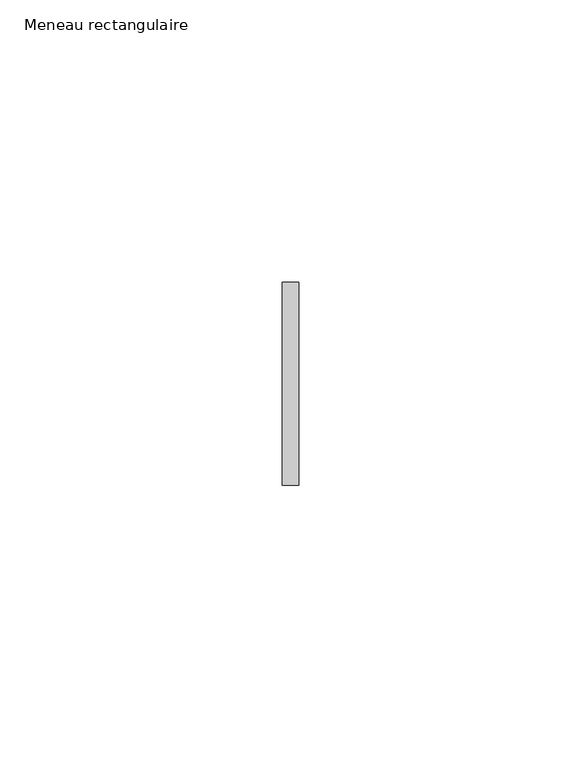
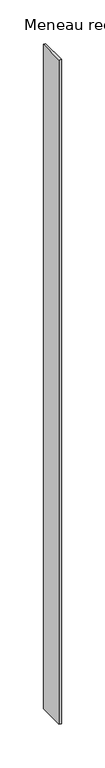
"""IFC4 building model written with IfcOpenShell, lengths in millimetres: member geometry, Meneau rectangulaire."""

from ifc_helpers import new_model, si_unit, frame, origin, place, context, project, spatial, polyline, outline, extrude, source, transform, mapped, element, save


def meneau_rectangulaire_4033c771(model_context):
    return source(origin(), model_context, "Body", "SweptSolid", [
        extrude(outline(polyline([(-1.5, 18.0), (1.5, 18.0), (1.5, -18.0), (-1.5, -18.0), (-1.5, 18.0)])), frame((0.0, 0.0, -928.5), z_axis=(0.0, 0.0, 1.0), x_axis=(1.0, 0.0, 0.0)), (0.0, 0.0, 1.0), 928.5),
    ])


if __name__ == "__main__":
    model = new_model("IFC4")
    model_context = context("Model", 3, world=origin())
    ifc_project = project(units=[si_unit("LENGTHUNIT", "METRE", prefix="MILLI")], contexts=[model_context])
    site = spatial("IfcSite", under=ifc_project)
    building = spatial("IfcBuilding", under=site)
    placement = place(None, origin())
    meneau_rectangulaire_shape = meneau_rectangulaire_4033c771(model_context)
    element("IfcMember", 1, ObjectType="Meneau rectangulaire", at=placement, inside=building, context=model_context, shape_type="MappedRepresentation", body=[
        mapped(meneau_rectangulaire_shape, transform((0.0, 0.0, 0.0), x_axis=(1.0, 0.0, 0.0), y_axis=(0.0, 1.0, 0.0), z_axis=(0.0, 0.0, 1.0))),
    ])
    save(model, "model.ifc")
